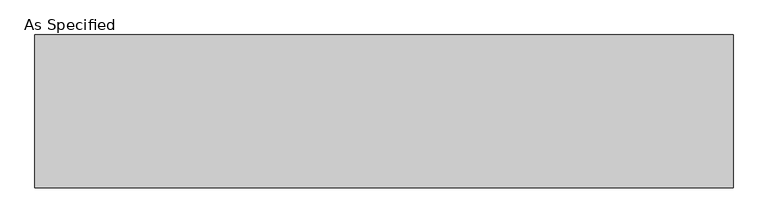
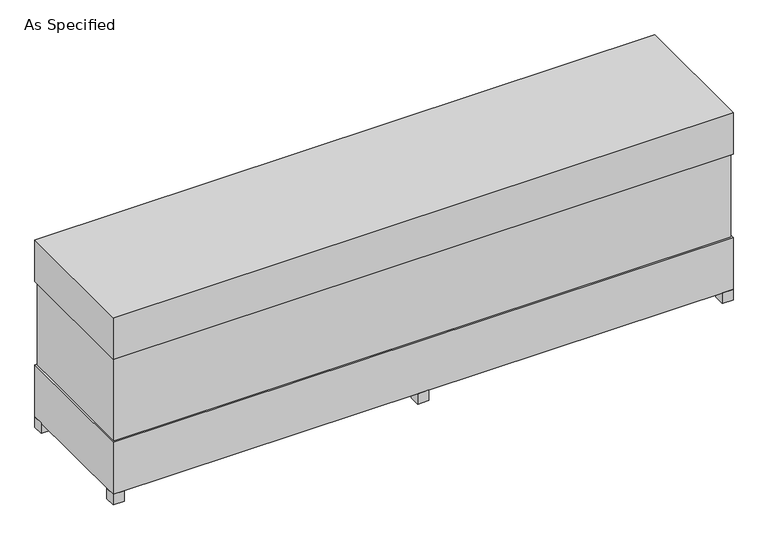
"""IFC4 building model written with IfcOpenShell, lengths in millimetres: proxy geometry, As Specified."""

from ifc_helpers import new_model, si_unit, frame, origin, origin_with_axes, place, context, project, spatial, polyline, outline, extrude, source, transform, mapped, element, save


def as_specified_d1827e7a(model_context):
    return source(origin(), model_context, "Body", "SweptSolid", [
        extrude(outline(polyline([(2135.1875, 458.7875), (2135.1875, -458.7875), (-2135.1875, -458.7875), (-2135.1875, 458.7875), (2135.1875, 458.7875)])), frame((0.0, 0.0, 457.2), z_axis=(0.0, 0.0, 1.0), x_axis=(1.0, 0.0, 0.0)), (0.0, 0.0, 1.0), 609.6),
        extrude(outline(polyline([(2146.3, 469.9), (2146.3, -469.9), (-2146.3, -469.9), (-2146.3, 469.9), (2146.3, 469.9)])), frame((0.0, 0.0, 1066.8), z_axis=(0.0, 0.0, 1.0), x_axis=(1.0, 0.0, 0.0)), (0.0, 0.0, 1.0), 304.8),
        extrude(outline(polyline([(2032.0, 254.0), (2032.0, 177.8), (1955.8, 177.8), (1955.8, 254.0), (2032.0, 254.0)])), frame((0.0, 0.0, 50.8), z_axis=(0.0, 0.0, 1.0), x_axis=(1.0, 0.0, 0.0)), (0.0, 0.0, 1.0), 25.4),
        extrude(outline(polyline([(2032.0, -177.8), (2032.0, -254.0), (1955.8, -254.0), (1955.8, -177.8), (2032.0, -177.8)])), frame((0.0, 0.0, 50.8), z_axis=(0.0, 0.0, 1.0), x_axis=(1.0, 0.0, 0.0)), (0.0, 0.0, 1.0), 25.4),
        extrude(outline(polyline([(-2070.1, 469.9), (-2070.1, 393.7), (-2146.3, 393.7), (-2146.3, 469.9), (-2070.1, 469.9)])), origin_with_axes(), (0.0, 0.0, 1.0), 76.2),
        extrude(outline(polyline([(2146.3, 469.9), (2146.3, 393.7), (2070.1, 393.7), (2070.1, 469.9), (2146.3, 469.9)])), origin_with_axes(), (0.0, 0.0, 1.0), 76.2),
        extrude(outline(polyline([(2146.3, -393.7), (2146.3, -469.9), (2070.1, -469.9), (2070.1, -393.7), (2146.3, -393.7)])), origin_with_axes(), (0.0, 0.0, 1.0), 76.2),
        extrude(outline(polyline([(-2070.1, -393.7), (-2070.1, -469.9), (-2146.3, -469.9), (-2146.3, -393.7), (-2070.1, -393.7)])), origin_with_axes(), (0.0, 0.0, 1.0), 76.2),
        extrude(outline(polyline([(38.1, 469.9), (38.1, 393.7), (-38.1, 393.7), (-38.1, 469.9), (38.1, 469.9)])), origin_with_axes(), (0.0, 0.0, 1.0), 76.2),
        extrude(outline(polyline([(38.1, -393.7), (38.1, -469.9), (-38.1, -469.9), (-38.1, -393.7), (38.1, -393.7)])), origin_with_axes(), (0.0, 0.0, 1.0), 76.2),
        extrude(outline(polyline([(2146.3, 469.9), (2146.3, -469.9), (-2146.3, -469.9), (-2146.3, 469.9), (2146.3, 469.9)])), frame((0.0, 0.0, 76.2), z_axis=(0.0, 0.0, 1.0), x_axis=(1.0, 0.0, 0.0)), (0.0, 0.0, 1.0), 381.0),
    ])


if __name__ == "__main__":
    model = new_model("IFC4")
    model_context = context("Model", 3, world=origin())
    ifc_project = project(units=[si_unit("LENGTHUNIT", "METRE", prefix="MILLI")], contexts=[model_context])
    site = spatial("IfcSite", under=ifc_project)
    building = spatial("IfcBuilding", under=site)
    placement = place(None, origin())
    as_specified_shape = as_specified_d1827e7a(model_context)
    element("IfcBuildingElementProxy", 1, Name="As Specified", ObjectType="As Specified", at=placement, inside=building, context=model_context, shape_type="MappedRepresentation", body=[
        mapped(as_specified_shape, transform((0.0, 0.0, 0.0), x_axis=(1.0, 0.0, 0.0), y_axis=(0.0, 1.0, 0.0), z_axis=(0.0, 0.0, 1.0))),
    ])
    save(model, "model.ifc")
